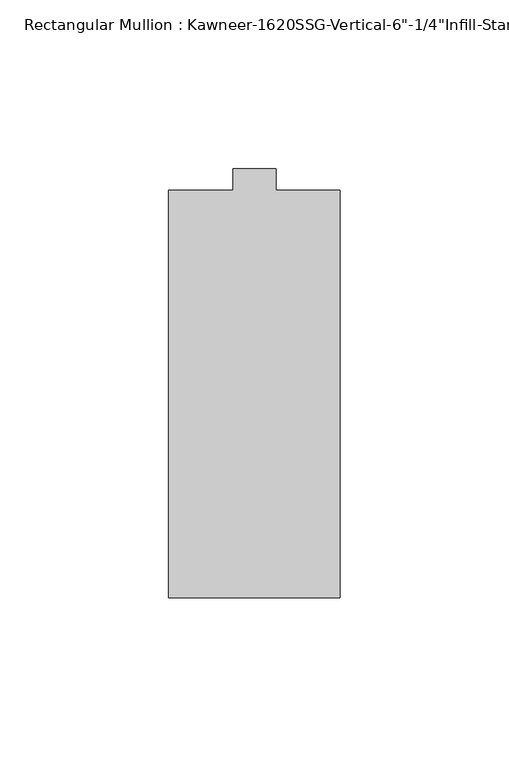
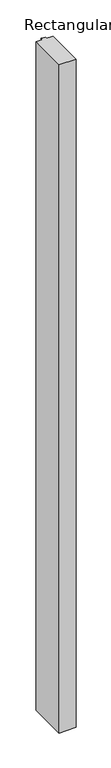
"""IFC4 building model written with IfcOpenShell, lengths in millimetres: member geometry."""

from ifc_helpers import new_model, si_unit, frame, origin, place, context, project, spatial, polyline, outline, extrude, source, transform, mapped, element, save


def member_9b67bf0f(model_context):
    return source(origin(), model_context, "Body", "SweptSolid", [
        extrude(outline(polyline([(25.4, -123.825), (-25.4, -123.825), (-25.4, -3.175), (-6.35, -3.175), (-6.35, 3.175), (6.35, 3.175), (6.35, -3.175), (25.4, -3.175), (25.4, -123.825)])), frame((0.0, 0.0, -2117.725), z_axis=(0.0, 0.0, 1.0), x_axis=(1.0, 0.0, 0.0)), (0.0, 0.0, 1.0), 2117.725),
    ])


if __name__ == "__main__":
    model = new_model("IFC4")
    model_context = context("Model", 3, world=origin())
    ifc_project = project(units=[si_unit("LENGTHUNIT", "METRE", prefix="MILLI")], contexts=[model_context])
    site = spatial("IfcSite", under=ifc_project)
    building = spatial("IfcBuilding", under=site)
    placement = place(None, origin())
    member_shape = member_9b67bf0f(model_context)
    element("IfcMember", 1, ObjectType="Rectangular Mullion : Kawneer-1620SSG-Vertical-6\"-1/4\"Infill-Standard", at=placement, inside=building, context=model_context, shape_type="MappedRepresentation", body=[
        mapped(member_shape, transform((0.0, 0.0, 0.0), x_axis=(1.0, 0.0, 0.0), y_axis=(0.0, 1.0, 0.0), z_axis=(0.0, 0.0, 1.0))),
    ])
    save(model, "model.ifc")
